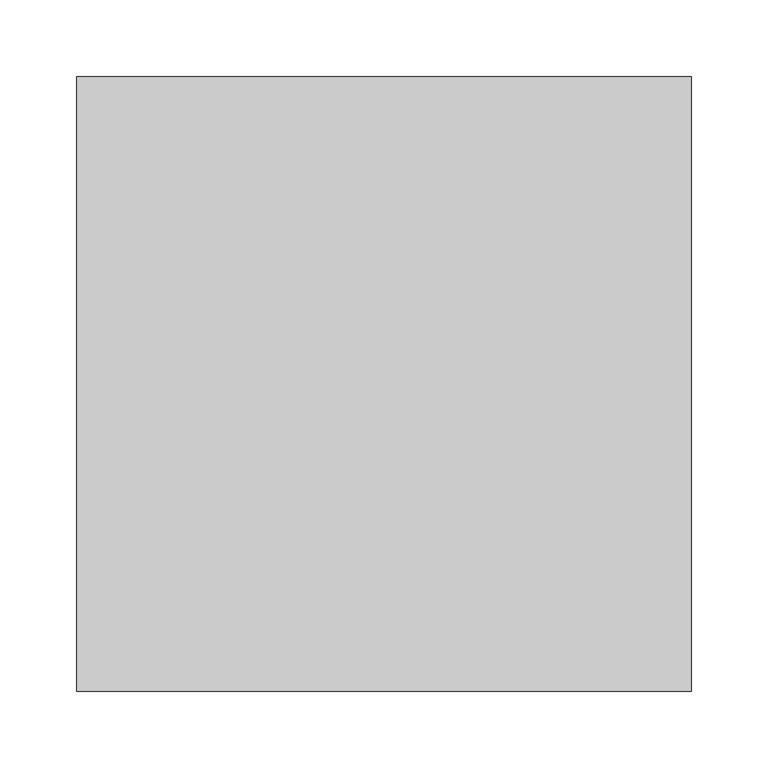
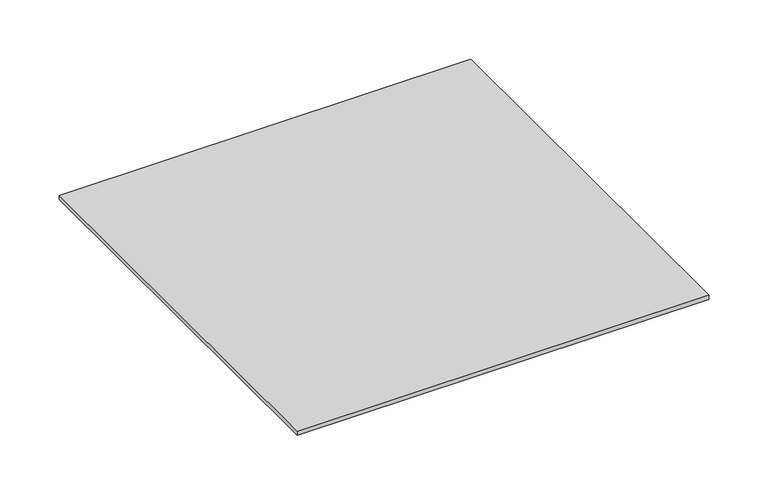
"""IFC4 building model written with IfcOpenShell, lengths in millimetres: proxy geometry."""

from ifc_helpers import new_model, si_unit, origin, origin_with_axes, place, context, project, spatial, polyline, outline, extrude, source, transform, mapped, element, save


def generic_models_70cc966a(model_context):
    return source(origin(), model_context, "Body", "SweptSolid", [
        extrude(outline(polyline([(200.0, 200.0), (200.0, -200.0), (-200.0, -200.0), (-200.0, 200.0), (200.0, 200.0)])), origin_with_axes(), (0.0, 0.0, 1.0), 4.2544424),
    ])


if __name__ == "__main__":
    model = new_model("IFC4")
    model_context = context("Model", 3, world=origin())
    ifc_project = project(units=[si_unit("LENGTHUNIT", "METRE", prefix="MILLI")], contexts=[model_context])
    site = spatial("IfcSite", under=ifc_project)
    building = spatial("IfcBuilding", under=site)
    placement = place(None, origin())
    generic_models_shape = generic_models_70cc966a(model_context)
    element("IfcBuildingElementProxy", 1, Name="Generic Models", at=placement, inside=building, context=model_context, shape_type="MappedRepresentation", body=[
        mapped(generic_models_shape, transform((0.0, 0.0, 0.0), x_axis=(1.0, 0.0, 0.0), y_axis=(0.0, 1.0, 0.0), z_axis=(0.0, 0.0, 1.0))),
    ])
    save(model, "model.ifc")
